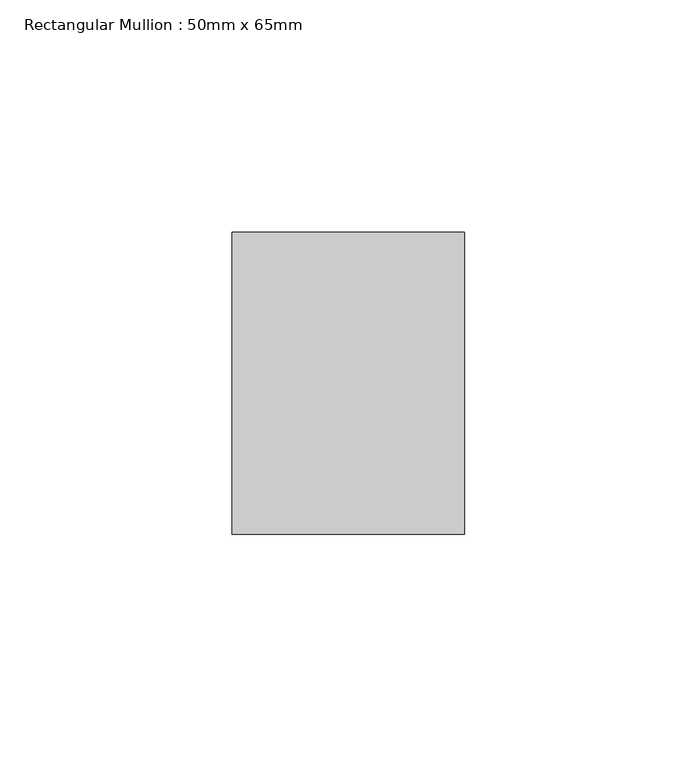
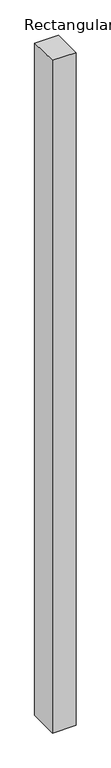
"""IFC4 building model written with IfcOpenShell, lengths in millimetres: member geometry, Rectangular Mullion : 50mm x 65mm."""

from ifc_helpers import new_model, si_unit, origin, place, context, project, spatial, faceted_brep, source, transform, mapped, element, save


def rectangular_mullion_50mm_x_65mm_9ec4a9b5(model_context):
    return source(origin(), model_context, "Body", "Brep", [
        faceted_brep([(-25.0, 32.5, -0.3536699), (25.0, 32.5, -0.3536719), (25.0, 32.5, -1499.5478713), (-25.0, 32.5, -1499.5478738), (-25.0, -32.5, 0.3536719), (-25.0, -32.5, -1500.4515042), (25.0, -32.5, 0.3536699), (25.0, -32.5, -1500.4515017)], [[[0, 1, 2, 3]], [[4, 0, 3, 5]], [[6, 4, 5, 7]], [[1, 6, 7, 2]], [[1, 0, 4, 6]], [[2, 7, 5, 3]]]),
    ])


if __name__ == "__main__":
    model = new_model("IFC4")
    model_context = context("Model", 3, world=origin())
    ifc_project = project(units=[si_unit("LENGTHUNIT", "METRE", prefix="MILLI")], contexts=[model_context])
    site = spatial("IfcSite", under=ifc_project)
    building = spatial("IfcBuilding", under=site)
    placement = place(None, origin())
    rectangular_mullion_50mm_x_65mm_shape = rectangular_mullion_50mm_x_65mm_9ec4a9b5(model_context)
    element("IfcMember", 1, ObjectType="Rectangular Mullion : 50mm x 65mm", at=placement, inside=building, context=model_context, shape_type="MappedRepresentation", body=[
        mapped(rectangular_mullion_50mm_x_65mm_shape, transform((0.0, 0.0, 0.0), x_axis=(1.0, 0.0, 0.0), y_axis=(0.0, 1.0, 0.0), z_axis=(0.0, 0.0, 1.0))),
    ])
    save(model, "model.ifc")
